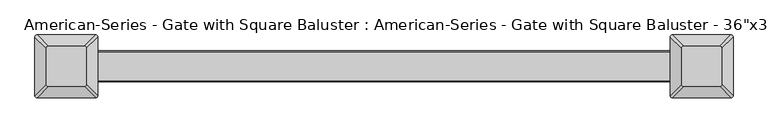
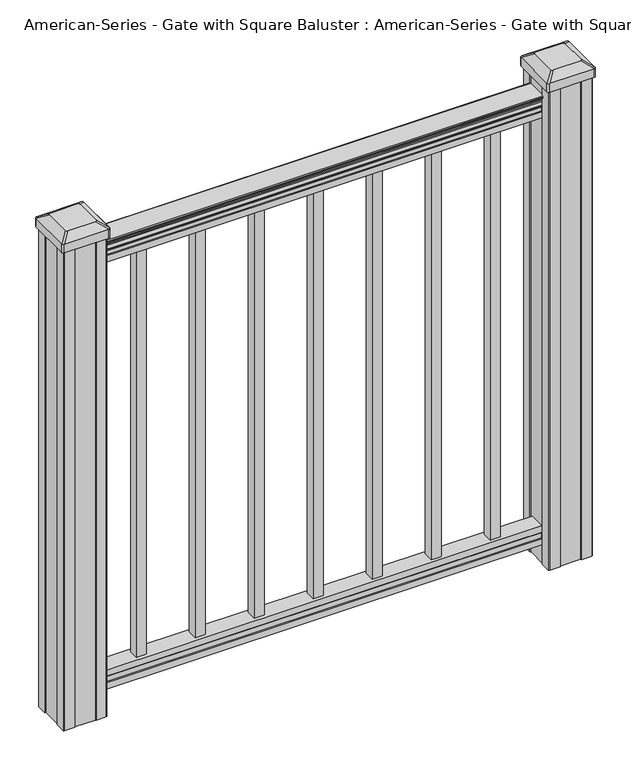
"""IFC4 building model written with IfcOpenShell, lengths in millimetres: proxy geometry."""

from ifc_helpers import new_model, si_unit, point, frame, frame_2d, origin, place, context, project, spatial, polyline, circle_curve, trimmed, segment, composite_curve, outline, extrude, source, transform, mapped, element, save
from ifc_brep_helpers import plane_surface, extruded_surface, advanced_brep


def proxy_e3b80648(model_context):
    return source(origin(), model_context, "Body", "SolidModel", [
        extrude(outline(polyline([(231.775, 9.525), (231.775, -9.525), (212.725, -9.525), (212.725, 9.525), (231.775, 9.525)])), frame((0.0, 0.0, 101.6), z_axis=(0.0, 0.0, 1.0), x_axis=(1.0, 0.0, 0.0)), (0.0, 0.0, 1.0), 812.8),
        extrude(outline(composite_curve([segment(polyline([(938.4043297, 17.4328287), (940.292412, 17.4328287)]), True, "CONTINUOUS"), segment(trimmed(circle_curve(frame_2d((946.0506383, 11.1180755)), 8.545951), [point((940.292412, 17.4328287))], [point((941.8546695, 18.563015))], False, "CARTESIAN"), True, "CONTINUOUS"), segment(trimmed(circle_curve(frame_2d((945.4636577, 11.5551384)), 7.882584), [point((941.8546695, 18.563015))], [point((949.0726458, 18.563015))], False, "CARTESIAN"), True, "CONTINUOUS"), segment(trimmed(circle_curve(frame_2d((951.3112527, 22.0684625)), 4.1592695), [point((949.0726458, 18.563015))], [point((951.5060812, 17.9137586))], True, "CARTESIAN"), True, "CONTINUOUS"), segment(trimmed(circle_curve(frame_2d((951.2508864, 23.3557691)), 5.4479907), [point((951.5060812, 17.9137586))], [point((955.8362083, 20.4137586))], True, "CARTESIAN"), True, "CONTINUOUS"), segment(trimmed(circle_curve(frame_2d((955.833395, 22.1226107)), 1.7088543), [point((955.8362083, 20.4137586))], [point((957.5157972, 21.8231011))], True, "CARTESIAN"), True, "CONTINUOUS"), segment(trimmed(circle_curve(frame_2d((958.6205318, 20.5057106)), 1.7192895), [point((957.5157972, 21.8231011))], [point((958.6205318, 22.2250001))], False, "CARTESIAN"), True, "CONTINUOUS"), segment(polyline([(958.6205318, 22.2250001), (959.9608158, 22.225)]), True, "CONTINUOUS"), segment(trimmed(circle_curve(frame_2d((959.9608158, 20.6715528)), 1.5534472), [point((959.9608158, 22.225))], [point((961.514263, 20.6715528))], False, "CARTESIAN"), True, "CONTINUOUS"), segment(polyline([(961.514263, 20.6715528), (961.514263, -20.6715528)]), True, "CONTINUOUS"), segment(trimmed(circle_curve(frame_2d((959.9608158, -20.6715528)), 1.5534472), [point((961.514263, -20.6715528))], [point((959.9608158, -22.225))], False, "CARTESIAN"), True, "CONTINUOUS"), segment(polyline([(959.9608158, -22.225), (958.6205318, -22.225)]), True, "CONTINUOUS"), segment(trimmed(circle_curve(frame_2d((958.6205318, -20.5057106)), 1.7192895), [point((958.6205318, -22.225))], [point((957.5157972, -21.8231011))], False, "CARTESIAN"), True, "CONTINUOUS"), segment(trimmed(circle_curve(frame_2d((955.833395, -22.1226107)), 1.7088543), [point((957.5157972, -21.8231011))], [point((955.8362083, -20.4137586))], True, "CARTESIAN"), True, "CONTINUOUS"), segment(trimmed(circle_curve(frame_2d((951.2508864, -23.3557691)), 5.4479907), [point((955.8362083, -20.4137586))], [point((951.5060812, -17.9137586))], True, "CARTESIAN"), True, "CONTINUOUS"), segment(trimmed(circle_curve(frame_2d((951.3112527, -22.0684625)), 4.1592695), [point((951.5060812, -17.9137586))], [point((949.0726458, -18.563015))], True, "CARTESIAN"), True, "CONTINUOUS"), segment(trimmed(circle_curve(frame_2d((945.4636577, -11.5551384)), 7.882584), [point((949.0726458, -18.563015))], [point((941.8546695, -18.563015))], False, "CARTESIAN"), True, "CONTINUOUS"), segment(trimmed(circle_curve(frame_2d((946.0506383, -11.1180755)), 8.545951), [point((941.8546695, -18.563015))], [point((940.292412, -17.4328287))], False, "CARTESIAN"), True, "CONTINUOUS"), segment(polyline([(940.292412, -17.4328287), (938.4043297, -17.4328287)]), True, "CONTINUOUS"), segment(trimmed(circle_curve(frame_2d((938.4043297, -16.1459144)), 1.2869144), [point((938.4043297, -17.4328287))], [point((938.4043297, -14.859))], False, "CARTESIAN"), True, "CONTINUOUS"), segment(polyline([(938.4043297, -14.859), (927.9048283, -14.859), (926.8888283, -15.875), (914.4, -15.875), (914.4, 15.875), (926.731013, 15.875), (927.747013, 14.859), (938.4043297, 14.859)]), True, "CONTINUOUS"), segment(trimmed(circle_curve(frame_2d((938.4043297, 16.1459144)), 1.2869144), [point((938.4043297, 14.859))], [point((938.4043297, 17.4328287))], False, "CARTESIAN"), True, "CONTINUOUS")], self_intersect=False)), frame((457.2, 0.0, 0.0), z_axis=(-1.0, 0.0, 0.0), x_axis=(0.0, 0.0, 1.0)), (0.0, 0.0, 1.0), 914.4),
        extrude(outline(polyline([(-15.9124869, 76.0541976), (-14.8964869, 77.3546183), (-14.8964869, 87.7141717), (-15.9124869, 89.0624492), (-15.9124869, 101.5958781), (15.8375131, 101.5958781), (15.8375131, 89.0458024), (14.8215131, 87.6975248), (14.8215131, 77.3858283), (15.8375131, 76.0375508), (15.8375131, 63.5), (-15.9124869, 63.5), (-15.9124869, 76.0541976)])), frame((-457.2, 0.0, 0.0), z_axis=(1.0, 0.0, 0.0), x_axis=(0.0, 1.0, 0.0)), (0.0, 0.0, 1.0), 914.4),
        advanced_brep(
        [(431.403125, 28.971875, 1012.825), (428.228125, 25.796875, 1012.825), (428.228125, -25.796875, 1012.825), (431.403125, -28.971875, 1012.825), (482.996875, -28.971875, 1012.825), (486.171875, -25.796875, 1012.825), (486.171875, 25.796875, 1012.825), (482.996875, 28.971875, 1012.825), (415.13125, 45.24375, 1001.522), (499.26875, 45.24375, 1001.522), (502.44375, 42.06875, 1001.522), (502.44375, -42.06875, 1001.522), (499.26875, -45.24375, 1001.522), (415.13125, -45.24375, 1001.522), (411.95625, -42.06875, 1001.522), (411.95625, 42.06875, 1001.522)],
        [
            (0, 1, circle_curve(frame((431.403125, 25.796875, 1012.825), z_axis=(0.0, 0.0, 1.0), x_axis=(0.0, -1.0, 0.0)), 3.175)),
            (1, 2),
            (2, 3, circle_curve(frame((431.403125, -25.796875, 1012.825), z_axis=(0.0, 0.0, 1.0), x_axis=(0.0, -1.0, 0.0)), 3.175)),
            (3, 4),
            (4, 5, circle_curve(frame((482.996875, -25.796875, 1012.825), z_axis=(0.0, 0.0, 1.0), x_axis=(0.0, -1.0, 0.0)), 3.175)),
            (5, 6),
            (6, 7, circle_curve(frame((482.996875, 25.796875, 1012.825), z_axis=(0.0, 0.0, 1.0), x_axis=(0.0, -1.0, 0.0)), 3.175)),
            (7, 0),
            (8, 9),
            (9, 10, circle_curve(frame((499.26875, 42.06875, 1001.522), z_axis=(0.0, 0.0, -1.0), x_axis=(0.0, -1.0, 0.0)), 3.175)),
            (10, 11),
            (11, 12, circle_curve(frame((499.26875, -42.06875, 1001.522), z_axis=(0.0, 0.0, -1.0), x_axis=(0.0, -1.0, 0.0)), 3.175)),
            (12, 13),
            (13, 14, circle_curve(frame((415.13125, -42.06875, 1001.522), z_axis=(0.0, 0.0, -1.0), x_axis=(0.0, -1.0, 0.0)), 3.175)),
            (14, 15),
            (15, 8, circle_curve(frame((415.13125, 42.06875, 1001.522), z_axis=(0.0, 0.0, -1.0), x_axis=(0.0, -1.0, 0.0)), 3.175)),
            (15, 1),
            (0, 8),
            (14, 2),
            (13, 3),
            (12, 4),
            (11, 5),
            (10, 6),
            (9, 7),
        ],
        [
            plane_surface(frame((457.2, 0.0, 1012.825), z_axis=(0.0, 0.0, 1.0), x_axis=(-1.0, 0.0, 0.0))),
            plane_surface(frame((457.2, 0.0, 1001.522), z_axis=(0.0, 0.0, -1.0), x_axis=(-1.0, 0.0, 0.0))),
            extruded_surface(trimmed(circle_curve(frame((415.13125, 42.06875, 1001.522), z_axis=(0.0, 0.0, 1.0), x_axis=(0.0, -1.0, 0.0)), 3.175), [point((415.13125, 45.24375, 1001.522))], [point((411.95625, 42.06875, 1001.522))], True, "CARTESIAN"), (16.271874999999966, -16.271875, 11.302999999999997), 25.63797263886614),
            plane_surface(frame((411.95625, 0.0, 1001.522), z_axis=(-0.5705009161540779, 0.0, 0.8212969649690408), x_axis=(0.0, -1.0, 0.0))),
            extruded_surface(trimmed(circle_curve(frame((415.13125, -42.06875, 1001.522), z_axis=(0.0, 0.0, 1.0), x_axis=(0.0, -1.0, 0.0)), 3.175), [point((411.95625, -42.06875, 1001.522))], [point((415.13125, -45.24375, 1001.522))], True, "CARTESIAN"), (16.271874999999966, 16.271875, 11.302999999999997), 25.63797263886614),
            plane_surface(frame((457.2, -45.24375, 1001.522), z_axis=(0.0, -0.5705009161540291, 0.8212969649690747), x_axis=(1.0, 0.0, 0.0))),
            extruded_surface(trimmed(circle_curve(frame((499.26875, -42.06875, 1001.522), z_axis=(0.0, 0.0, 1.0), x_axis=(0.0, -1.0, 0.0)), 3.175), [point((499.26875, -45.24375, 1001.522))], [point((502.44375, -42.06875, 1001.522))], True, "CARTESIAN"), (-16.271875000000023, 16.271875, 11.302999999999997), 25.637972638866177),
            plane_surface(frame((502.44375, 0.0, 1001.522), z_axis=(0.5705009161540141, 0.0, 0.8212969649690851), x_axis=(0.0, 1.0, 0.0))),
            extruded_surface(trimmed(circle_curve(frame((499.26875, 42.06875, 1001.522), z_axis=(0.0, 0.0, 1.0), x_axis=(0.0, -1.0, 0.0)), 3.175), [point((502.44375, 42.06875, 1001.522))], [point((499.26875, 45.24375, 1001.522))], True, "CARTESIAN"), (-16.271875000000023, -16.271875, 11.302999999999997), 25.637972638866177),
            plane_surface(frame((457.2, 45.24375, 1001.522), z_axis=(0.0, 0.570500916154034, 0.8212969649690713), x_axis=(-1.0, 0.0, 0.0))),
        ],
        [
            (0, [[1, 2, 3, 4, 5, 6, 7, 8]]),
            (1, [[9, 10, 11, 12, 13, 14, 15, 16]]),
            (2, [[-16, 17, -1, 18]]),
            (3, [[-15, 19, -2, -17]]),
            (4, [[-14, 20, -3, -19]]),
            (5, [[-13, 21, -4, -20]]),
            (6, [[-12, 22, -5, -21]]),
            (7, [[-11, 23, -6, -22]]),
            (8, [[-10, 24, -7, -23]]),
            (9, [[-9, -18, -8, -24]]),
        ],
    ),
        extrude(outline(composite_curve([segment(polyline([(415.13125, 45.24375), (499.26875, 45.24375)]), True, "CONTINUOUS"), segment(trimmed(circle_curve(frame_2d((499.26875, 42.06875)), 3.175), [point((499.26875, 45.24375))], [point((502.44375, 42.06875))], False, "CARTESIAN"), True, "CONTINUOUS"), segment(polyline([(502.44375, 42.06875), (502.44375, -42.06875)]), True, "CONTINUOUS"), segment(trimmed(circle_curve(frame_2d((499.26875, -42.06875)), 3.175), [point((502.44375, -42.06875))], [point((499.26875, -45.24375))], False, "CARTESIAN"), True, "CONTINUOUS"), segment(polyline([(499.26875, -45.24375), (415.13125, -45.24375)]), True, "CONTINUOUS"), segment(trimmed(circle_curve(frame_2d((415.13125, -42.06875)), 3.175), [point((415.13125, -45.24375))], [point((411.95625, -42.06875))], False, "CARTESIAN"), True, "CONTINUOUS"), segment(polyline([(411.95625, -42.06875), (411.95625, 42.06875)]), True, "CONTINUOUS"), segment(trimmed(circle_curve(frame_2d((415.13125, 42.06875)), 3.175), [point((411.95625, 42.06875))], [point((415.13125, 45.24375))], False, "CARTESIAN"), True, "CONTINUOUS")], self_intersect=False)), frame((0.0, 0.0, 984.25), z_axis=(0.0, 0.0, 1.0), x_axis=(1.0, 0.0, 0.0)), (0.0, 0.0, 1.0), 17.272),
        extrude(outline(polyline([(417.5125, 41.275), (437.134, 41.275), (437.896, 39.6875), (476.504, 39.6875), (477.266, 41.275), (496.8875, 41.275), (498.475, 39.6875), (498.475, 20.066), (496.8875, 19.304), (496.8875, -19.304), (498.475, -20.066), (498.475, -39.6875), (496.8875, -41.275), (477.266, -41.275), (476.504, -39.6875), (437.896, -39.6875), (437.134, -41.275), (417.5125, -41.275), (415.925, -39.6875), (415.925, -20.066), (417.5125, -19.304), (417.5125, 19.304), (415.925, 20.066), (415.925, 39.6875), (417.5125, 41.275)])), frame((0.0, 0.0, 28.575), z_axis=(0.0, 0.0, 1.0), x_axis=(1.0, 0.0, 0.0)), (0.0, 0.0, 1.0), 955.675),
        advanced_brep(
        [(-482.996875, 28.971875, 1012.825), (-486.171875, 25.796875, 1012.825), (-486.171875, -25.796875, 1012.825), (-482.996875, -28.971875, 1012.825), (-431.403125, -28.971875, 1012.825), (-428.228125, -25.796875, 1012.825), (-428.228125, 25.796875, 1012.825), (-431.403125, 28.971875, 1012.825), (-499.26875, 45.24375, 1001.522), (-415.13125, 45.24375, 1001.522), (-411.95625, 42.06875, 1001.522), (-411.95625, -42.06875, 1001.522), (-415.13125, -45.24375, 1001.522), (-499.26875, -45.24375, 1001.522), (-502.44375, -42.06875, 1001.522), (-502.44375, 42.06875, 1001.522)],
        [
            (0, 1, circle_curve(frame((-482.996875, 25.796875, 1012.825), z_axis=(0.0, 0.0, 1.0), x_axis=(0.0, -1.0, 0.0)), 3.175)),
            (1, 2),
            (2, 3, circle_curve(frame((-482.996875, -25.796875, 1012.825), z_axis=(0.0, 0.0, 1.0), x_axis=(0.0, -1.0, 0.0)), 3.175)),
            (3, 4),
            (4, 5, circle_curve(frame((-431.403125, -25.796875, 1012.825), z_axis=(0.0, 0.0, 1.0), x_axis=(0.0, -1.0, 0.0)), 3.175)),
            (5, 6),
            (6, 7, circle_curve(frame((-431.403125, 25.796875, 1012.825), z_axis=(0.0, 0.0, 1.0), x_axis=(0.0, -1.0, 0.0)), 3.175)),
            (7, 0),
            (8, 9),
            (9, 10, circle_curve(frame((-415.13125, 42.06875, 1001.522), z_axis=(0.0, 0.0, -1.0), x_axis=(0.0, -1.0, 0.0)), 3.175)),
            (10, 11),
            (11, 12, circle_curve(frame((-415.13125, -42.06875, 1001.522), z_axis=(0.0, 0.0, -1.0), x_axis=(0.0, -1.0, 0.0)), 3.175)),
            (12, 13),
            (13, 14, circle_curve(frame((-499.26875, -42.06875, 1001.522), z_axis=(0.0, 0.0, -1.0), x_axis=(0.0, -1.0, 0.0)), 3.175)),
            (14, 15),
            (15, 8, circle_curve(frame((-499.26875, 42.06875, 1001.522), z_axis=(0.0, 0.0, -1.0), x_axis=(0.0, -1.0, 0.0)), 3.175)),
            (15, 1),
            (0, 8),
            (14, 2),
            (13, 3),
            (12, 4),
            (11, 5),
            (10, 6),
            (9, 7),
        ],
        [
            plane_surface(frame((-457.2, 0.0, 1012.825), z_axis=(0.0, 0.0, 1.0), x_axis=(-1.0, 0.0, 0.0))),
            plane_surface(frame((-457.2, 0.0, 1001.522), z_axis=(0.0, 0.0, -1.0), x_axis=(-1.0, 0.0, 0.0))),
            extruded_surface(trimmed(circle_curve(frame((-499.26875, 42.06875, 1001.522), z_axis=(0.0, 0.0, 1.0), x_axis=(0.0, -1.0, 0.0)), 3.175), [point((-499.26875, 45.24375, 1001.522))], [point((-502.44375, 42.06875, 1001.522))], True, "CARTESIAN"), (16.271875000000023, -16.271875, 11.302999999999997), 25.637972638866177),
            plane_surface(frame((-502.44375, 0.0, 1001.522), z_axis=(-0.5705009161540779, 0.0, 0.8212969649690408), x_axis=(0.0, -1.0, 0.0))),
            extruded_surface(trimmed(circle_curve(frame((-499.26875, -42.06875, 1001.522), z_axis=(0.0, 0.0, 1.0), x_axis=(0.0, -1.0, 0.0)), 3.175), [point((-502.44375, -42.06875, 1001.522))], [point((-499.26875, -45.24375, 1001.522))], True, "CARTESIAN"), (16.271875000000023, 16.271875, 11.302999999999997), 25.637972638866177),
            plane_surface(frame((-457.2, -45.24375, 1001.522), z_axis=(0.0, -0.5705009161540291, 0.8212969649690747), x_axis=(1.0, 0.0, 0.0))),
            extruded_surface(trimmed(circle_curve(frame((-415.13125, -42.06875, 1001.522), z_axis=(0.0, 0.0, 1.0), x_axis=(0.0, -1.0, 0.0)), 3.175), [point((-415.13125, -45.24375, 1001.522))], [point((-411.95625, -42.06875, 1001.522))], True, "CARTESIAN"), (-16.271874999999966, 16.271875, 11.302999999999997), 25.63797263886614),
            plane_surface(frame((-411.95625, 0.0, 1001.522), z_axis=(0.5705009161540141, 0.0, 0.8212969649690851), x_axis=(0.0, 1.0, 0.0))),
            extruded_surface(trimmed(circle_curve(frame((-415.13125, 42.06875, 1001.522), z_axis=(0.0, 0.0, 1.0), x_axis=(0.0, -1.0, 0.0)), 3.175), [point((-411.95625, 42.06875, 1001.522))], [point((-415.13125, 45.24375, 1001.522))], True, "CARTESIAN"), (-16.271874999999966, -16.271875, 11.302999999999997), 25.63797263886614),
            plane_surface(frame((-457.2, 45.24375, 1001.522), z_axis=(0.0, 0.570500916154034, 0.8212969649690713), x_axis=(-1.0, 0.0, 0.0))),
        ],
        [
            (0, [[1, 2, 3, 4, 5, 6, 7, 8]]),
            (1, [[9, 10, 11, 12, 13, 14, 15, 16]]),
            (2, [[-16, 17, -1, 18]]),
            (3, [[-15, 19, -2, -17]]),
            (4, [[-14, 20, -3, -19]]),
            (5, [[-13, 21, -4, -20]]),
            (6, [[-12, 22, -5, -21]]),
            (7, [[-11, 23, -6, -22]]),
            (8, [[-10, 24, -7, -23]]),
            (9, [[-9, -18, -8, -24]]),
        ],
    ),
        extrude(outline(composite_curve([segment(polyline([(-499.26875, 45.24375), (-415.13125, 45.24375)]), True, "CONTINUOUS"), segment(trimmed(circle_curve(frame_2d((-415.13125, 42.06875)), 3.175), [point((-415.13125, 45.24375))], [point((-411.95625, 42.06875))], False, "CARTESIAN"), True, "CONTINUOUS"), segment(polyline([(-411.95625, 42.06875), (-411.95625, -42.06875)]), True, "CONTINUOUS"), segment(trimmed(circle_curve(frame_2d((-415.13125, -42.06875)), 3.175), [point((-411.95625, -42.06875))], [point((-415.13125, -45.24375))], False, "CARTESIAN"), True, "CONTINUOUS"), segment(polyline([(-415.13125, -45.24375), (-499.26875, -45.24375)]), True, "CONTINUOUS"), segment(trimmed(circle_curve(frame_2d((-499.26875, -42.06875)), 3.175), [point((-499.26875, -45.24375))], [point((-502.44375, -42.06875))], False, "CARTESIAN"), True, "CONTINUOUS"), segment(polyline([(-502.44375, -42.06875), (-502.44375, 42.06875)]), True, "CONTINUOUS"), segment(trimmed(circle_curve(frame_2d((-499.26875, 42.06875)), 3.175), [point((-502.44375, 42.06875))], [point((-499.26875, 45.24375))], False, "CARTESIAN"), True, "CONTINUOUS")], self_intersect=False)), frame((0.0, 0.0, 984.25), z_axis=(0.0, 0.0, 1.0), x_axis=(1.0, 0.0, 0.0)), (0.0, 0.0, 1.0), 17.272),
        extrude(outline(polyline([(-496.8875, 41.275), (-477.266, 41.275), (-476.504, 39.6875), (-437.896, 39.6875), (-437.134, 41.275), (-417.5125, 41.275), (-415.925, 39.6875), (-415.925, 20.066), (-417.5125, 19.304), (-417.5125, -19.304), (-415.925, -20.066), (-415.925, -39.6875), (-417.5125, -41.275), (-437.134, -41.275), (-437.896, -39.6875), (-476.504, -39.6875), (-477.266, -41.275), (-496.8875, -41.275), (-498.475, -39.6875), (-498.475, -20.066), (-496.8875, -19.304), (-496.8875, 19.304), (-498.475, 20.066), (-498.475, 39.6875), (-496.8875, 41.275)])), frame((0.0, 0.0, 28.575), z_axis=(0.0, 0.0, 1.0), x_axis=(1.0, 0.0, 0.0)), (0.0, 0.0, 1.0), 955.675),
        extrude(outline(polyline([(120.65, 9.525), (120.65, -9.525), (101.6, -9.525), (101.6, 9.525), (120.65, 9.525)])), frame((0.0, 0.0, 101.6), z_axis=(0.0, 0.0, 1.0), x_axis=(1.0, 0.0, 0.0)), (0.0, 0.0, 1.0), 812.8),
        extrude(outline(polyline([(9.525, 9.525), (9.525, -9.525), (-9.525, -9.525), (-9.525, 9.525), (9.525, 9.525)])), frame((0.0, 0.0, 101.6), z_axis=(0.0, 0.0, 1.0), x_axis=(1.0, 0.0, 0.0)), (0.0, 0.0, 1.0), 812.8),
        extrude(outline(polyline([(-101.6, 9.525), (-101.6, -9.525), (-120.65, -9.525), (-120.65, 9.525), (-101.6, 9.525)])), frame((0.0, 0.0, 101.6), z_axis=(0.0, 0.0, 1.0), x_axis=(1.0, 0.0, 0.0)), (0.0, 0.0, 1.0), 812.8),
        extrude(outline(polyline([(-212.725, 9.525), (-212.725, -9.525), (-231.775, -9.525), (-231.775, 9.525), (-212.725, 9.525)])), frame((0.0, 0.0, 101.6), z_axis=(0.0, 0.0, 1.0), x_axis=(1.0, 0.0, 0.0)), (0.0, 0.0, 1.0), 812.8),
        extrude(outline(polyline([(342.9, 9.525), (342.9, -9.525), (323.85, -9.525), (323.85, 9.525), (342.9, 9.525)])), frame((0.0, 0.0, 101.6), z_axis=(0.0, 0.0, 1.0), x_axis=(1.0, 0.0, 0.0)), (0.0, 0.0, 1.0), 812.8),
        extrude(outline(polyline([(-323.85, 9.525), (-323.85, -9.525), (-342.9, -9.525), (-342.9, 9.525), (-323.85, 9.525)])), frame((0.0, 0.0, 101.6), z_axis=(0.0, 0.0, 1.0), x_axis=(1.0, 0.0, 0.0)), (0.0, 0.0, 1.0), 812.8),
    ])


if __name__ == "__main__":
    model = new_model("IFC4")
    model_context = context("Model", 3, world=origin())
    ifc_project = project(units=[si_unit("LENGTHUNIT", "METRE", prefix="MILLI")], contexts=[model_context])
    site = spatial("IfcSite", under=ifc_project)
    building = spatial("IfcBuilding", under=site)
    placement = place(None, origin())
    proxy_shape = proxy_e3b80648(model_context)
    element("IfcBuildingElementProxy", 1, Name="American-Series - Gate with Square Baluster : American-Series - Gate with Square Baluster - 36\"x36\"", ObjectType="American-Series - Gate with Square Baluster : American-Series - Gate with Square Baluster - 36\"x36\"", at=placement, inside=building, context=model_context, shape_type="MappedRepresentation", body=[
        mapped(proxy_shape, transform((0.0, 0.0, 0.0), x_axis=(1.0, 0.0, 0.0), y_axis=(0.0, 1.0, 0.0), z_axis=(0.0, 0.0, 1.0))),
    ])
    save(model, "model.ifc")
